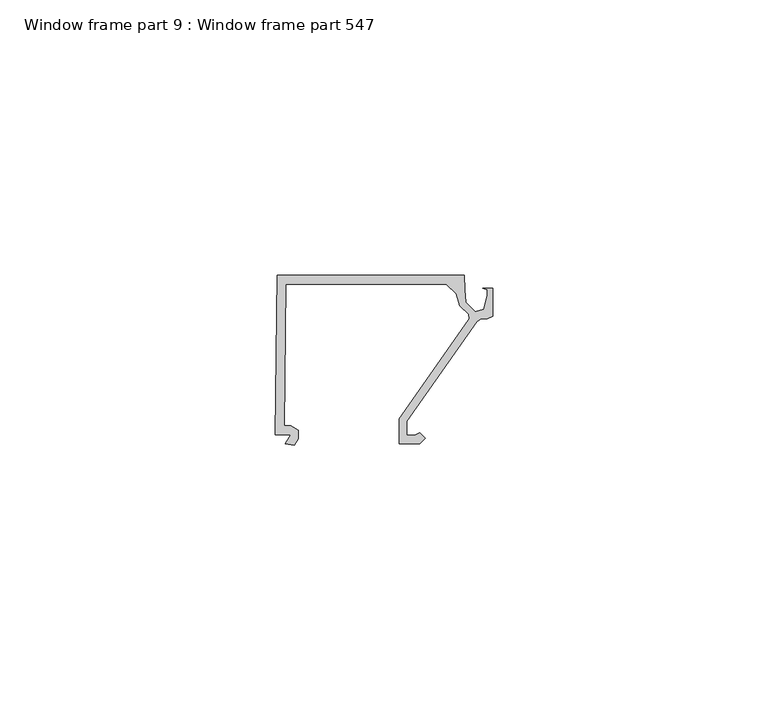
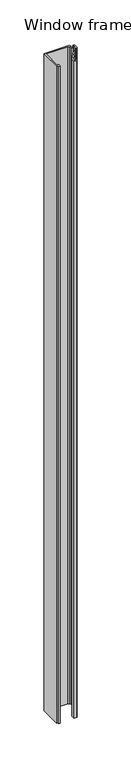
"""IFC4 building model written with IfcOpenShell, lengths in millimetres: proxy geometry, Window frame part 9 : Window frame part 547."""

from ifc_helpers import new_model, si_unit, frame, origin, place, context, project, spatial, polyline, outline, extrude, source, transform, mapped, element, save


def window_frame_part_9_window_frame_part_547_2de3d3fb(model_context):
    return source(origin(), model_context, "Body", "SweptSolid", [
        extrude(outline(polyline([(37543.3867773, -20653.8644301), (37577.2650271, -20653.8644301), (37577.4354773, -20656.4679301), (37577.6214645, -20658.7381229), (37579.3143745, -20660.4310329), (37580.8775062, -20660.0279494), (37581.4474073, -20657.4331301), (37581.4474073, -20656.4679301), (37580.7108073, -20656.1631301), (37582.4634073, -20656.1631301), (37582.4634073, -20661.2938031), (37581.4980803, -20661.7003301), (37580.4312803, -20661.7003301), (37579.5652183, -20662.2591301), (37566.8754273, -20680.3820301), (37566.8754273, -20682.8585301), (37568.346801, -20682.8585301), (37569.1870697, -20682.4142725), (37570.2028273, -20683.4300301), (37569.1868273, -20684.4460301), (37565.4784273, -20684.4460301), (37565.4784273, -20679.9415577), (37578.1953589, -20661.7798971), (37578.1242103, -20660.9666631), (37576.5079127, -20659.3503655), (37575.8606773, -20657.2299301), (37574.0826773, -20655.4519301), (37544.9361773, -20655.4519301), (37544.6059773, -20681.2013747), (37545.788398, -20681.2013747), (37547.152046, -20681.9886772), (37547.152046, -20683.5634768), (37546.4665273, -20684.7508301), (37544.815548, -20684.4232191), (37545.7680273, -20682.7886801), (37543.0121273, -20682.7886801), (37543.3867773, -20653.8644301)])), frame((0.0, 0.0, 910.5119968), z_axis=(0.0, 0.0, 1.0), x_axis=(1.0, 0.0, 0.0)), (0.0, 0.0, 1.0), 914.4),
    ])


if __name__ == "__main__":
    model = new_model("IFC4")
    model_context = context("Model", 3, world=origin())
    ifc_project = project(units=[si_unit("LENGTHUNIT", "METRE", prefix="MILLI")], contexts=[model_context])
    site = spatial("IfcSite", under=ifc_project)
    building = spatial("IfcBuilding", under=site)
    placement = place(None, origin())
    window_frame_part_9_window_frame_part_547_shape = window_frame_part_9_window_frame_part_547_2de3d3fb(model_context)
    element("IfcBuildingElementProxy", 1, Name="Window frame part 9 : Window frame part 547", ObjectType="Window frame part 9 : Window frame part 547", at=placement, inside=building, context=model_context, shape_type="MappedRepresentation", body=[
        mapped(window_frame_part_9_window_frame_part_547_shape, transform((0.0, 0.0, 0.0), x_axis=(1.0, 0.0, 0.0), y_axis=(0.0, 1.0, 0.0), z_axis=(0.0, 0.0, 1.0))),
    ])
    save(model, "model.ifc")
